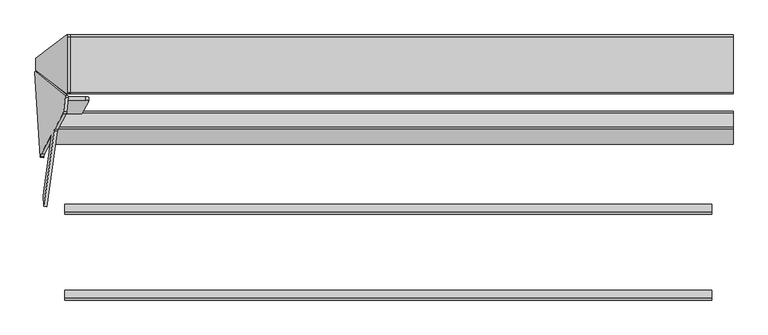
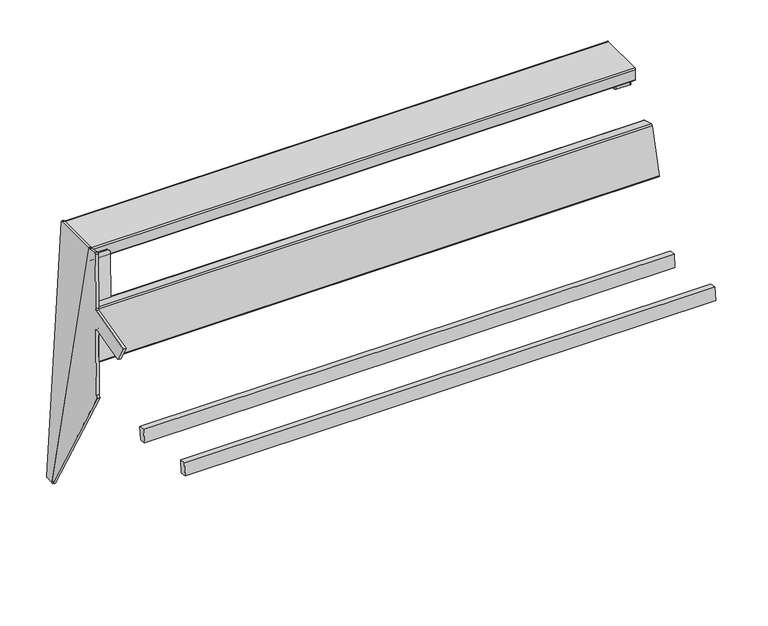
"""IFC4 building model written with IfcOpenShell, lengths in millimetres: furniture geometry."""

from ifc_helpers import new_model, si_unit, point, frame, frame_2d, origin, place, context, project, spatial, polyline, circle_curve, ellipse_curve, trimmed, segment, composite_curve, outline, extrude, source, transform, mapped, element, save
from ifc_brep_helpers import plane_surface, cylinder_surface, revolved_surface, advanced_brep


def furniture_1fd6f3a6(model_context):
    return source(origin(), model_context, "Body", "SolidModel", [
        advanced_brep(
        [(859.6028254, 195.1325032, 486.5435624), (859.6028254, 200.049211, 489.3411004), (859.6028254, 238.0977793, 627.848262), (859.6028254, 235.300262, 632.7649338), (859.6028254, 199.6221546, 642.5661595), (859.6028254, 194.7054467, 639.7686218), (859.6028254, 156.6568701, 501.2614604), (859.6028254, 159.4543876, 496.3447884), (-841.1598418, 195.1325032, 486.5435624), (-840.1635722, 200.049211, 489.3411004), (-819.6629039, 238.0977793, 627.848262), (-819.5173723, 235.300262, 632.7649338), (-823.4519843, 199.6221546, 642.5661595), (-824.4482538, 194.7054467, 639.7686218), (-844.9489233, 156.6568701, 501.2614604), (-845.0944549, 159.4543876, 496.3447884)],
        [
            (0, 1, circle_curve(frame((859.6028254, 196.1920983, 490.4006673), z_axis=(1.0, 0.0, 0.0), x_axis=(0.0, -1.0, 0.0)), 4.0)),
            (1, 2),
            (2, 3, circle_curve(frame((859.6028254, 234.2406667, 628.907829), z_axis=(1.0, 0.0, 0.0), x_axis=(0.0, -1.0, 0.0)), 4.0)),
            (3, 4),
            (4, 5, circle_curve(frame((859.6028254, 198.5625593, 638.7090547), z_axis=(1.0, 0.0, 0.0), x_axis=(0.0, -1.0, 0.0)), 4.0)),
            (5, 6),
            (6, 7, circle_curve(frame((859.6028254, 160.5139827, 500.2018933), z_axis=(1.0, 0.0, 0.0), x_axis=(0.0, -1.0, 0.0)), 4.0)),
            (7, 0),
            (0, 8),
            (8, 9, ellipse_curve(frame((-840.5889412, 196.1920983, 490.4006673), z_axis=(0.9845272064646965, -0.138178406716623, -0.10776320173452736), x_axis=(0.17523178858535024, 0.7763454442639449, 0.6054598016712565)), 4.0628639, 4.0)),
            (9, 1),
            (9, 10),
            (10, 2),
            (10, 11, ellipse_curve(frame((-820.0882729, 234.2406667, 628.907829), z_axis=(0.9845272064646965, -0.138178406716623, -0.10776320173452736), x_axis=(0.17523178858535024, 0.7763454442639449, 0.6054598016712565)), 4.0628639, 4.0)),
            (11, 3),
            (11, 12),
            (12, 4),
            (12, 13, ellipse_curve(frame((-824.0228849, 198.5625593, 638.7090547), z_axis=(0.9845272064646965, -0.138178406716623, -0.10776320173452736), x_axis=(0.17523178858535024, 0.7763454442639449, 0.6054598016712565)), 4.0628639, 4.0)),
            (13, 5),
            (13, 14),
            (14, 6),
            (14, 15, ellipse_curve(frame((-844.5235544, 160.5139827, 500.2018933), z_axis=(0.9845272064646965, -0.138178406716623, -0.10776320173452736), x_axis=(0.17523178858535024, 0.7763454442639449, 0.6054598016712565)), 4.0628639, 4.0)),
            (15, 7),
            (15, 8),
        ],
        [
            plane_surface(frame((859.6028254, 192.1920983, 490.4006673), z_axis=(1.0, 0.0, 0.0), x_axis=(0.0, 0.0, -1.0))),
            cylinder_surface(frame((-849.4957131, 196.1920983, 490.4006673), z_axis=(1.0, 0.0, 0.0), x_axis=(0.0, -1.0, 0.0)), 4.0),
            plane_surface(frame((859.6028254, 200.049211, 489.3411004), z_axis=(0.0, 0.9642781573688651, -0.2648917424558685), x_axis=(-1.0, 0.0, 0.0))),
            cylinder_surface(frame((-849.4957131, 234.2406667, 628.907829), z_axis=(1.0, 0.0, 0.0), x_axis=(0.0, -1.0, 0.0)), 4.0),
            plane_surface(frame((859.6028254, 235.300262, 632.7649338), z_axis=(0.0, 0.2648988265500056, 0.9642762113069212), x_axis=(-1.0, 0.0, 0.0))),
            cylinder_surface(frame((-849.4957131, 198.5625593, 638.7090547), z_axis=(1.0, 0.0, 0.0), x_axis=(0.0, -1.0, 0.0)), 4.0),
            plane_surface(frame((859.6028254, 194.7054467, 639.7686218), z_axis=(0.0, -0.9642781425237719, 0.2648917964960493), x_axis=(-1.0, 0.0, 0.0))),
            cylinder_surface(frame((-849.4957131, 160.5139827, 500.2018933), z_axis=(1.0, 0.0, 0.0), x_axis=(0.0, -1.0, 0.0)), 4.0),
            plane_surface(frame((859.6028254, 159.4543876, 496.3447884), z_axis=(0.0, -0.2648987750760446, -0.9642762254474654), x_axis=(-1.0, 0.0, 0.0))),
            plane_surface(frame((-794.0167868, 291.6214795, 793.5215168), z_axis=(-0.9845272064646965, 0.138178406716623, 0.10776320173452736), x_axis=(-0.1021320908307656, -0.9522059736125507, 0.2878763968079196))),
        ],
        [
            (0, [[1, 2, 3, 4, 5, 6, 7, 8]]),
            (1, [[-1, 9, 10, 11]]),
            (2, [[-2, -11, 12, 13]]),
            (3, [[-3, -13, 14, 15]]),
            (4, [[-4, -15, 16, 17]]),
            (5, [[-5, -17, 18, 19]]),
            (6, [[-6, -19, 20, 21]]),
            (7, [[-7, -21, 22, 23]]),
            (8, [[-8, -23, 24, -9]]),
            (9, [[-10, -24, -22, -20, -18, -16, -14, -12]]),
        ],
    ),
        advanced_brep(
        [(-755.0440225, 275.0158862, 757.8881152), (-747.1427984, 272.5788357, 749.0639533), (-783.301588, 206.9046912, 509.9877088), (-791.2328587, 205.1005271, 503.3842593), (-837.8982285, 205.1850931, 503.4518959), (-800.2290396, 275.0977695, 757.9536062), (-791.2451915, 196.3768615, 505.7825119), (-783.3139208, 198.1810256, 512.3859614), (-747.1551312, 263.8551701, 751.4622058), (-755.0563553, 266.2922205, 760.2863677), (-801.1905091, 266.3758239, 760.3532344), (-838.8596981, 196.4631475, 505.8515241), (-880.8633489, 337.9713039, 14.8944279), (-881.5280215, 336.1005897, 11.2206695), (-867.61676, 124.5422214, 409.5831251), (-867.5760922, 124.8590494, 409.5484177), (-866.2037222, 131.2504543, 413.8911008), (-840.7909312, 178.4134646, 585.5886209), (-840.7791117, 174.5518534, 590.6481205), (-861.2994828, 28.470929, 590.4844823), (-859.5577941, 1.98384, 640.3594265), (-833.1217155, 190.2995977, 640.4138722), (-832.2804167, 194.0587936, 643.2798026), (-811.1014693, 233.3654515, 786.3705641), (-810.120629, 238.2446052, 789.0752934), (-806.2223905, 274.267721, 778.499374), (-806.2060941, 277.1577, 774.9426086), (-872.9871313, 336.8658767, 14.0323223), (-798.3298764, 276.0522727, 774.080503), (-798.3461729, 273.1622937, 777.6372684), (-802.2444113, 237.139178, 788.2131877), (-803.2252516, 232.2600242, 785.5084585), (-824.4041991, 192.9533663, 642.417697), (-825.2454978, 189.1941704, 639.5517665), (-851.6815764, 0.8784127, 639.4973209), (-853.3932206, 26.9085927, 590.4827322), (-832.653384, 174.5518534, 590.6481205), (-832.6652035, 178.4134646, 585.5886209), (-858.0779945, 131.2504543, 413.8911008), (-859.4503645, 124.8590494, 409.5484177), (-859.704087, 122.8823921, 409.7649535), (-873.6518039, 334.9951625, 10.3585639)],
        [
            (0, 1, circle_curve(frame((-755.0590458, 272.8952788, 750.1743095), z_axis=(0.0013631459484884575, 0.9642258427672699, -0.26507860338562134), x_axis=(0.14431455675225047, 0.2621142782788855, 0.9541852093968658)), 8.0)),
            (1, 2),
            (2, 3, circle_curve(frame((-791.2178354, 207.2211344, 511.098065), z_axis=(0.0013631459484884575, 0.9642258427672699, -0.26507860338562134), x_axis=(0.14431455675225047, 0.2621142782788855, 0.9541852093968658)), 8.0)),
            (3, 4),
            (4, 5),
            (5, 0),
            (6, 7, circle_curve(frame((-791.2301682, 198.4974688, 513.4963176), z_axis=(-0.0013631459484884575, -0.9642258427672699, 0.26507860338562134), x_axis=(0.14431455675225047, 0.2621142782788855, 0.9541852093968658)), 8.0)),
            (7, 8),
            (8, 9, circle_curve(frame((-755.0713786, 264.1716132, 752.572562), z_axis=(-0.0013631459484884575, -0.9642258427672699, 0.26507860338562134), x_axis=(0.14431455675225047, 0.2621142782788855, 0.9541852093968658)), 8.0)),
            (9, 10),
            (10, 11),
            (11, 6),
            (0, 9),
            (8, 1),
            (7, 2),
            (6, 3),
            (11, 4),
            (5, 10),
            (12, 13, circle_curve(frame((-881.4454916, 334.025159, 14.6358678), z_axis=(-0.9845272064646956, 0.13817840671662612, 0.10776320173453142), x_axis=(-0.10809843818608307, 0.005098251508800454, -0.9941271224009949)), 3.9972244)),
            (13, 14),
            (14, 15),
            (15, 16, ellipse_curve(frame((-866.8370673, 125.5075832, 415.4685906), z_axis=(0.9845272064646956, -0.1381784067166262, -0.10776320173453155), x_axis=(0.1752317885853553, 0.7763454442639396, 0.6054598016712618)), 6.049187, 5.9555892)),
            (16, 17),
            (17, 18, ellipse_curve(frame((-841.2163098, 174.5563342, 586.648123), z_axis=(0.9845272064646956, -0.1381784067166262, -0.10776320173453155), x_axis=(0.1752317885853553, 0.7763454442639396, 0.6054598016712618)), 4.0628639, 4.0)),
            (18, 19),
            (19, 20),
            (20, 21),
            (21, 22, circle_curve(frame((-832.6950066, 190.2385459, 644.3905783), z_axis=(0.9845272064646956, -0.13817840671662612, -0.10776320173453142), x_axis=(-0.10809843818608307, 0.005098251508800454, -0.9941271224009949)), 4.0)),
            (22, 23),
            (23, 24, circle_curve(frame((-810.6868794, 237.1856992, 785.2597883), z_axis=(-0.9845272064646956, 0.13817840671662612, 0.10776320173453142), x_axis=(-0.10809843818608307, 0.005098251508800454, -0.9941271224009949)), 4.0)),
            (24, 25),
            (25, 26, circle_curve(frame((-806.788641, 273.2088149, 774.683869), z_axis=(-0.9845272064646956, 0.13817840671662612, 0.10776320173453142), x_axis=(-0.10809843818608307, 0.005098251508800454, -0.9941271224009949)), 4.0)),
            (26, 12),
            (27, 28),
            (28, 29, circle_curve(frame((-798.9124233, 272.1033877, 773.8217633), z_axis=(0.9845272064646956, -0.13817840671662612, -0.10776320173453142), x_axis=(-0.10809843818608307, 0.005098251508800454, -0.9941271224009949)), 4.0)),
            (29, 30),
            (30, 31, circle_curve(frame((-802.8106618, 236.0802719, 784.3976827), z_axis=(0.9845272064646956, -0.13817840671662612, -0.10776320173453142), x_axis=(-0.10809843818608307, 0.005098251508800454, -0.9941271224009949)), 4.0)),
            (31, 32),
            (32, 33, circle_curve(frame((-824.8187889, 189.1331186, 643.5284727), z_axis=(-0.9845272064646956, 0.13817840671662612, 0.10776320173453142), x_axis=(-0.10809843818608307, 0.005098251508800454, -0.9941271224009949)), 4.0)),
            (33, 34),
            (34, 35),
            (35, 36),
            (36, 37, ellipse_curve(frame((-833.0905821, 174.5563342, 586.648123), z_axis=(-0.9845272064646956, 0.1381784067166262, 0.10776320173453155), x_axis=(0.1752317885853553, 0.7763454442639396, 0.6054598016712618)), 4.0628639, 4.0)),
            (37, 38),
            (38, 39, ellipse_curve(frame((-858.7113396, 125.5075832, 415.4685906), z_axis=(-0.9845272064646956, 0.1381784067166262, 0.10776320173453155), x_axis=(0.1752317885853553, 0.7763454442639396, 0.6054598016712618)), 6.049187, 5.9555892)),
            (39, 40),
            (40, 41),
            (41, 27, circle_curve(frame((-873.5692739, 332.9197317, 13.7737622), z_axis=(0.9845272064646956, -0.13817840671662612, -0.10776320173453142), x_axis=(-0.10809843818608307, 0.005098251508800454, -0.9941271224009949)), 3.9972244)),
            (25, 29),
            (28, 26),
            (27, 12),
            (41, 13),
            (40, 14),
            (34, 20),
            (19, 35),
            (33, 21),
            (32, 22),
            (31, 23),
            (30, 24),
            (17, 37),
            (36, 18),
            (39, 15),
            (38, 16),
        ],
        [
            plane_surface(frame((-753.9045293, 274.9921931, 757.8077911), z_axis=(0.0013631459484884298, 0.9642258427672699, -0.26507860338562156), x_axis=(0.9895309245003536, -0.03955539485439855, -0.13879452509154708))),
            plane_surface(frame((-753.9168621, 266.2685275, 760.2060437), z_axis=(-0.0013631459484884298, -0.9642258427672699, 0.26507860338562156), x_axis=(-0.9895309245003536, 0.03955539485439855, 0.13879452509154708))),
            cylinder_surface(frame((-755.0713786, 264.1716132, 752.572562), z_axis=(0.0013631459484884575, 0.9642258427672699, -0.26507860338562134), x_axis=(0.14431455675225047, 0.2621142782788855, 0.9541852093968658)), 8.0),
            plane_surface(frame((-747.1427984, 272.5788357, 749.0639533), z_axis=(0.9895309245003534, -0.0395553948543983, -0.13879452509154827), x_axis=(-0.001363145948487987, -0.9642258427672699, 0.2650786033856207))),
            cylinder_surface(frame((-791.2301682, 198.4974688, 513.4963176), z_axis=(0.0013631459484884575, 0.9642258427672699, -0.26507860338562134), x_axis=(0.14431455675225047, 0.2621142782788855, 0.9541852093968658)), 8.0),
            plane_surface(frame((-791.2328587, 205.1005271, 503.3842593), z_axis=(-0.0018779099002757267, -0.2650759139656631, -0.9642257169821155), x_axis=(-0.001363145948487987, -0.9642258427672699, 0.2650786033856207))),
            plane_surface(frame((-803.1542615, 275.1030705, 757.957846), z_axis=(0.0018779099002713226, 0.2650759139656631, 0.9642257169821155), x_axis=(-0.001363145948487987, -0.9642258427672699, 0.2650786033856207))),
            plane_surface(frame((-881.8775853, 334.0455378, 10.6621186), z_axis=(-0.9845272064646956, 0.1381784067166262, 0.10776320173453155), x_axis=(-0.13791630575299013, -0.9903942324896726, 0.009917502641294946))),
            plane_surface(frame((-874.0013676, 332.9401106, 9.800013), z_axis=(0.9845272064646956, -0.1381784067166262, -0.10776320173453155), x_axis=(0.13791630575299013, 0.9903942324896726, -0.009917502641294946))),
            cylinder_surface(frame((-798.9124233, 272.1033877, 773.8217633), z_axis=(-0.9845272064646956, 0.13817840671662612, 0.10776320173453142), x_axis=(-0.10809843818608307, 0.005098251508800454, -0.9941271224009949)), 4.0),
            plane_surface(frame((-806.2060941, 277.1577, 774.9426086), z_axis=(0.14563671969423442, 0.9872212562883779, 0.06468490557386732), x_axis=(0.9845272064646956, -0.13817840671662243, -0.10776320173453661))),
            cylinder_surface(frame((-873.5692739, 332.9197317, 13.7737622), z_axis=(-0.9845272064646956, 0.13817840671662612, 0.10776320173453142), x_axis=(-0.10809843818608307, 0.005098251508800454, -0.9941271224009949)), 3.9972244),
            plane_surface(frame((-881.5280215, 336.1005897, 11.2206695), z_axis=(-0.17249891043919574, -0.872425040531916, -0.4572949535586143), x_axis=(0.9845272064646962, -0.1381784067166225, -0.10776320173453165))),
            plane_surface(frame((-859.5577941, 1.98384, 640.3594265), z_axis=(0.10667723092490322, -0.01526296251921189, 0.9941765488972932), x_axis=(0.9845272064646956, -0.13817840671662243, -0.10776320173453661))),
            revolved_surface(polyline([(-825.251182622492, 189.15351160178926, 639.5519642070847), (-833.1274003560839, 190.25893886701334, 640.4140698299226)]), (-824.8187889, 189.1331186, 643.5284727), (0.9845272064646956, -0.13817840671662612, -0.10776320173453142)),
            plane_surface(frame((-832.2804167, 194.0587936, 643.2798026), z_axis=(-0.10364746347884377, -0.955061925655032, 0.27769393489686434), x_axis=(0.9845272064646949, -0.13817840671662657, -0.10776320173453655))),
            cylinder_surface(frame((-802.8106618, 236.0802719, 784.3976827), z_axis=(-0.9845272064646956, 0.13817840671662612, 0.10776320173453142), x_axis=(-0.10809843818608307, 0.005098251508800454, -0.9941271224009949)), 4.0),
            plane_surface(frame((-810.120629, 238.2446052, 789.0752934), z_axis=(0.1415626146882469, 0.26472650457534347, 0.9538762518785903), x_axis=(0.9845272064646956, -0.13817840671662243, -0.10776320173453661))),
            revolved_surface(polyline([(-832.3786391920241, 170.5563342, 586.648123), (-841.9282527079758, 170.5563342, 586.648123)]), (-919.9232064, 174.5563342, 586.648123), (1.0, 0.0, 0.0)),
            plane_surface(frame((-812.6404131, 174.5518534, 590.6481205), z_axis=(0.0, 0.0011201877232388624, -0.9999993725895355), x_axis=(-1.0, 0.0, 0.0))),
            plane_surface(frame((-812.6404131, -281.1025506, 454.0200604), z_axis=(0.0, 0.10889498268372896, 0.994053259511939), x_axis=(-1.0, 0.0, 0.0))),
            revolved_surface(polyline([(-857.6513297425026, 119.551994, 415.4685906), (-867.8970771574973, 119.551994, 415.4685906)]), (-919.9232064, 125.5075832, 415.4685906), (1.0, 0.0, 0.0)),
            plane_surface(frame((-812.6404131, 131.2504543, 413.8911008), z_axis=(0.0, -0.9642826121585462, 0.2648755252730818), x_axis=(-1.0, 0.0, 0.0))),
        ],
        [
            (0, [[1, 2, 3, 4, 5, 6]]),
            (1, [[7, 8, 9, 10, 11, 12]]),
            (2, [[-1, 13, -9, 14]]),
            (3, [[-2, -14, -8, 15]]),
            (4, [[-3, -15, -7, 16]]),
            (5, [[-16, -12, 17, -4]]),
            (6, [[-13, -6, 18, -10]]),
            (7, [[19, 20, 21, 22, 23, 24, 25, 26, 27, 28, 29, 30, 31, 32, 33]]),
            (8, [[34, 35, 36, 37, 38, 39, 40, 41, 42, 43, 44, 45, 46, 47, 48], [-5, -17, -11, -18]]),
            (9, [[-32, 49, -35, 50]]),
            (10, [[-33, -50, -34, 51]]),
            (11, [[-19, -51, -48, 52]]),
            (12, [[-52, -47, 53, -20]]),
            (12, [[54, -26, 55, -41]]),
            (13, [[-27, -54, -40, 56]]),
            (14, [[-28, -56, -39, 57]]),
            (15, [[-29, -57, -38, 58]]),
            (16, [[-30, -58, -37, 59]]),
            (17, [[-31, -59, -36, -49]]),
            (18, [[60, -43, 61, -24]]),
            (19, [[-61, -42, -55, -25]]),
            (20, [[62, -21, -53, -46]]),
            (21, [[-62, -45, 63, -22]]),
            (22, [[-60, -23, -63, -44]]),
        ],
    ),
        extrude(outline(polyline([(0.0, -19.9999999), (0.0, 0.0), (1612.8148813, 0.0), (1612.8148813, -19.9999999), (0.0, -19.9999999)])), frame((806.271869, -17.9230139, 331.2273795), z_axis=(0.0, 0.10862274800818965, 0.9940830441241564), x_axis=(-1.0, 0.0, 0.0)), (0.0, 0.0, 1.0), 40.0),
        extrude(outline(polyline([(0.0, -20.0), (0.0, 0.0), (1612.8148813, 0.0), (1612.8148813, -20.0), (0.0, -20.0)])), frame((806.271869, -232.1337214, 354.6340312), z_axis=(0.0, 0.10862274800818968, 0.9940830441241564), x_axis=(-1.0, 0.0, 0.0)), (0.0, 0.0, 1.0), 40.0),
        extrude(outline(composite_curve([segment(polyline([(424.9816611, 730.1429382), (285.9816611, 730.1429382)]), True, "CONTINUOUS"), segment(trimmed(circle_curve(frame_2d((285.9816611, 734.1429382)), 4.0), [point((285.9816611, 730.1429382))], [point((281.9816611, 734.1429382))], False, "CARTESIAN"), True, "CONTINUOUS"), segment(polyline([(281.9816611, 734.1429382), (281.9816611, 766.1587542)]), True, "CONTINUOUS"), segment(trimmed(circle_curve(frame_2d((285.9816611, 766.1587542)), 4.0), [point((281.9816611, 766.1587542))], [point((285.9816611, 770.1587542))], False, "CARTESIAN"), True, "CONTINUOUS"), segment(polyline([(285.9816611, 770.1587542), (424.9816611, 770.1587542)]), True, "CONTINUOUS"), segment(trimmed(circle_curve(frame_2d((424.9816611, 766.1587542)), 4.0), [point((424.9816611, 770.1587542))], [point((428.9816611, 766.1587542))], False, "CARTESIAN"), True, "CONTINUOUS"), segment(polyline([(428.9816611, 766.1587542), (428.9816611, 734.1429382)]), True, "CONTINUOUS"), segment(trimmed(circle_curve(frame_2d((424.9816611, 734.1429382)), 4.0), [point((428.9816611, 734.1429382))], [point((424.9816611, 730.1429382))], False, "CARTESIAN"), True, "CONTINUOUS")], self_intersect=False)), frame((-796.9703536, 0.0, 0.0), z_axis=(1.0, 0.0, 0.0), x_axis=(0.0, 1.0, 0.0)), (0.0, 0.0, 1.0), 1656.573179),
        extrude(outline(composite_curve([segment(trimmed(circle_curve(frame_2d((803.632262, 421.4776321)), 4.0), [point((799.632262, 421.4776321))], [point((803.632262, 425.4776321))], False, "CARTESIAN"), True, "CONTINUOUS"), segment(polyline([(803.632262, 425.4776321), (845.632262, 425.4776321)]), True, "CONTINUOUS"), segment(trimmed(circle_curve(frame_2d((845.632262, 421.4776321)), 4.0), [point((845.632262, 425.4776321))], [point((849.632262, 421.4776321))], False, "CARTESIAN"), True, "CONTINUOUS"), segment(polyline([(849.632262, 421.4776321), (849.632262, 415.4775105), (859.6028254, 415.4775105), (859.6028254, 295.4775105), (849.632262, 295.4775105), (849.632262, 289.4776321)]), True, "CONTINUOUS"), segment(trimmed(circle_curve(frame_2d((845.632262, 289.4776321)), 4.0), [point((849.632262, 289.4776321))], [point((845.632262, 285.4776321))], False, "CARTESIAN"), True, "CONTINUOUS"), segment(polyline([(845.632262, 285.4776321), (803.632262, 285.4776321)]), True, "CONTINUOUS"), segment(trimmed(circle_curve(frame_2d((803.632262, 289.4776321)), 4.0), [point((803.632262, 285.4776321))], [point((799.632262, 289.4776321))], False, "CARTESIAN"), True, "CONTINUOUS"), segment(polyline([(799.632262, 289.4776321), (799.632262, 421.4776321)]), True, "CONTINUOUS")], self_intersect=False)), frame((0.0, 0.0, 720.7455365), z_axis=(0.0, 0.0, 1.0), x_axis=(1.0, 0.0, 0.0)), (0.0, 0.0, 1.0), 10.0),
        extrude(outline(composite_curve([segment(polyline([(-736.9997902, 421.4776321), (-736.9997902, 289.4776321)]), True, "CONTINUOUS"), segment(trimmed(circle_curve(frame_2d((-740.9997902, 289.4776321)), 4.0), [point((-736.9997902, 289.4776321))], [point((-740.9997902, 285.4776321))], False, "CARTESIAN"), True, "CONTINUOUS"), segment(polyline([(-740.9997902, 285.4776321), (-782.9997902, 285.4776321)]), True, "CONTINUOUS"), segment(trimmed(circle_curve(frame_2d((-782.9997902, 289.4776321)), 4.0), [point((-782.9997902, 285.4776321))], [point((-786.9997902, 289.4776321))], False, "CARTESIAN"), True, "CONTINUOUS"), segment(polyline([(-786.9997902, 289.4776321), (-786.9997902, 295.4775105), (-796.9703536, 295.4775105), (-796.9703536, 415.4775105), (-786.9997902, 415.4775105), (-786.9997902, 421.4776321)]), True, "CONTINUOUS"), segment(trimmed(circle_curve(frame_2d((-782.9997902, 421.4776321)), 4.0), [point((-786.9997902, 421.4776321))], [point((-782.9997902, 425.4776321))], False, "CARTESIAN"), True, "CONTINUOUS"), segment(polyline([(-782.9997902, 425.4776321), (-740.9997902, 425.4776321)]), True, "CONTINUOUS"), segment(trimmed(circle_curve(frame_2d((-740.9997902, 421.4776321)), 4.0), [point((-740.9997902, 425.4776321))], [point((-736.9997902, 421.4776321))], False, "CARTESIAN"), True, "CONTINUOUS")], self_intersect=False)), frame((0.0, 0.0, 720.7455365), z_axis=(0.0, 0.0, 1.0), x_axis=(1.0, 0.0, 0.0)), (0.0, 0.0, 1.0), 10.0),
        extrude(outline(composite_curve([segment(trimmed(circle_curve(frame_2d((0.0, -3.9641521)), 3.9641521), [point((3.964151, -3.967119))], [point((0.2994923, -7.9169746))], False, "CARTESIAN"), True, "CONTINUOUS"), segment(polyline([(0.2994923, -7.9169746), (-757.2861625, -65.316729)]), True, "CONTINUOUS"), segment(trimmed(circle_curve(frame_2d((-757.5862876, -61.3555534)), 3.9725291), [point((-757.2861625, -65.316729))], [point((-761.5588156, -61.3525802))], False, "CARTESIAN"), True, "CONTINUOUS"), segment(polyline([(-761.5588156, -61.3525802), (-761.4553001, 76.9541709)]), True, "CONTINUOUS"), segment(trimmed(circle_curve(frame_2d((-757.4832036, 76.951198)), 3.9720976), [point((-761.4553001, 76.9541709))], [point((-757.1806031, 80.9117526))], False, "CARTESIAN"), True, "CONTINUOUS"), segment(polyline([(-757.1806031, 80.9117526), (0.2861033, 23.0386037)]), True, "CONTINUOUS"), segment(trimmed(circle_curve(frame_2d((-0.0186228, 19.0502278)), 4.0), [point((0.2861033, 23.0386037))], [point((3.981376, 19.047234))], False, "CARTESIAN"), True, "CONTINUOUS"), segment(polyline([(3.981376, 19.047234), (3.964151, -3.967119)]), True, "CONTINUOUS")], self_intersect=False)), frame((-872.0746675, 363.4682385, 14.5181182), z_axis=(-0.9946984865140414, 0.0, 0.10283443453763685), x_axis=(-0.10283443453763685, 0.0, -0.9946984865140414)), (0.0, 0.0, 1.0), 7.463358),
    ])


if __name__ == "__main__":
    model = new_model("IFC4")
    model_context = context("Model", 3, world=origin())
    ifc_project = project(units=[si_unit("LENGTHUNIT", "METRE", prefix="MILLI")], contexts=[model_context])
    site = spatial("IfcSite", under=ifc_project)
    building = spatial("IfcBuilding", under=site)
    placement = place(None, origin())
    furniture_shape = furniture_1fd6f3a6(model_context)
    element("IfcFurniture", 1, at=placement, inside=building, context=model_context, shape_type="MappedRepresentation", body=[
        mapped(furniture_shape, transform((0.0, 0.0, 0.0), x_axis=(1.0, 0.0, 0.0), y_axis=(0.0, 1.0, 0.0), z_axis=(0.0, 0.0, 1.0))),
    ])
    save(model, "model.ifc")
